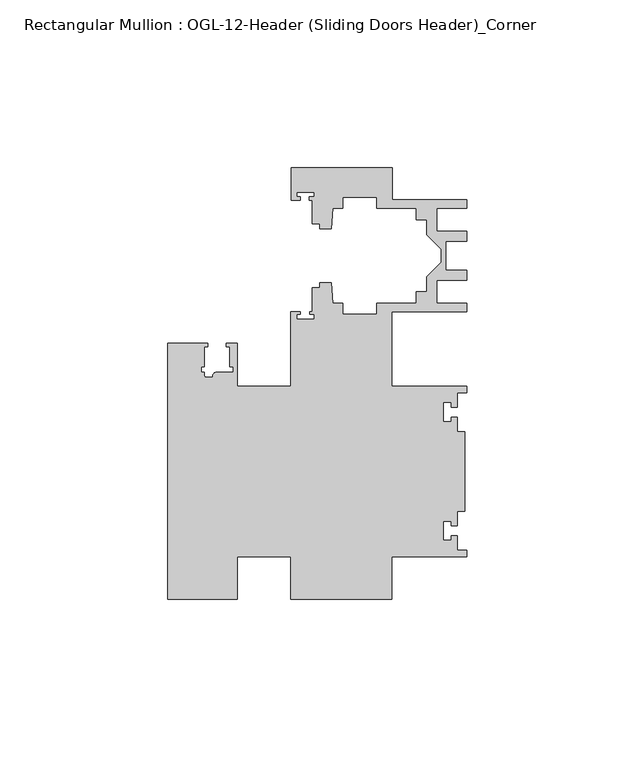
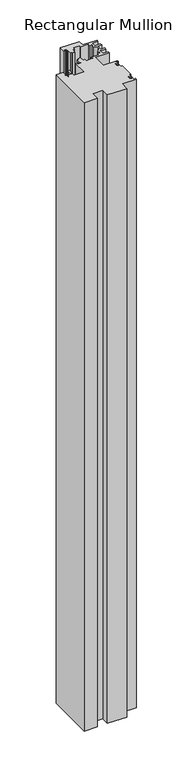
"""IFC4 building model written with IfcOpenShell, lengths in millimetres: member geometry, Rectangular Mullion : OGL-12-Header (Sliding Doors Header)_Corner."""

from ifc_helpers import new_model, si_unit, point, frame, frame_2d, origin, place, context, project, spatial, polyline, circle_curve, trimmed, segment, composite_curve, outline, extrude, source, transform, mapped, element, save


def rectangular_mullion_ogl_12_header_sliding_doors_header_2d8d6ac5(model_context):
    return source(origin(), model_context, "Body", "SweptSolid", [
        extrude(outline(composite_curve([segment(polyline([(0.0, 4.7625), (-22.2332898, 4.7625), (-22.2332898, -7.9371792), (-52.3921824, -7.9371792), (-52.3921824, 4.7625009), (-68.2683157, 4.7625009), (-68.2683157, -7.9375024), (-88.9083412, -7.9375024), (-88.9083412, 68.2624976), (-77.0967193, 68.2624976), (-77.0967193, 67.2624972), (-78.0467296, 67.2624972), (-78.0467296, 61.3772976), (-79.046696, 61.3772976), (-79.046696, 59.6772976), (-78.0467193, 59.6772976), (-78.0467193, 58.6740259)]), True, "CONTINUOUS"), segment(trimmed(circle_curve(frame_2d((-77.5467193, 58.6740259)), 0.5), [point((-78.0467193, 58.6740259))], [point((-77.5467193, 58.1740259))], True, "CARTESIAN"), True, "CONTINUOUS"), segment(polyline([(-77.5467193, 58.1740259), (-75.6077655, 58.1740259)]), True, "CONTINUOUS"), segment(trimmed(circle_curve(frame_2d((-74.44672, 58.4772975)), 1.2000001), [point((-75.6077655, 58.1740259))], [point((-74.44672, 59.6772976))], False, "CARTESIAN"), True, "CONTINUOUS"), segment(polyline([(-74.44672, 59.6772976), (-69.5467192, 59.6772976), (-69.5467192, 61.3772976), (-70.5467089, 61.3772976), (-70.5467089, 67.2624979), (-71.4967192, 67.2624979), (-71.4967192, 68.2624976), (-68.2683157, 68.2624976), (-68.2683157, 55.5625008), (-52.3921824, 55.5625008), (-52.3921824, 77.745996), (-49.5910554, 77.745996), (-49.5910554, 76.8721046), (-50.6220715, 76.8721046), (-50.6220715, 75.4943149), (-45.3220715, 75.4943149), (-45.3220715, 76.8721046), (-46.769305, 76.8721046), (-46.769305, 77.745996), (-45.9710366, 77.745996), (-45.9710366, 84.8247994), (-43.7582575, 84.8247994), (-43.7582575, 86.375852), (-40.3395523, 86.375852), (-39.7961967, 80.1652691), (-36.8419772, 80.1652691), (-36.8419772, 77.000852), (-26.7462575, 77.000852), (-26.7462575, 80.175852), (-15.0768765, 80.175852), (-15.0768765, 83.575852), (-11.8582575, 83.575852), (-11.8582575, 88.0571468), (-7.4980859, 92.4173184), (-7.4980859, 96.2965176), (-11.8582575, 100.6566892), (-11.8582575, 105.137984), (-15.0768765, 105.137984), (-15.0768765, 108.537984), (-26.7462575, 108.537984), (-26.7462575, 111.712984), (-36.8419772, 111.712984), (-36.8419772, 108.5485669), (-39.7961967, 108.5485669), (-40.3395523, 102.337984), (-43.7582575, 102.337984), (-43.7582575, 103.9254518), (-45.9710366, 103.9254518), (-45.9710366, 110.9050364), (-46.8181909, 110.9050364), (-46.8181909, 111.8781466), (-45.3220715, 111.8781466), (-45.3220715, 113.2559363), (-50.6220715, 113.2559363), (-50.6220715, 111.8781466), (-49.5692346, 111.8781466), (-49.5692346, 110.9050364), (-52.2095715, 110.9050364), (-52.2095715, 120.4877352), (-22.2032575, 120.4877352), (-22.2032575, 111.037984), (-0.0082575, 111.037984), (-0.0082575, 108.537984), (-8.8582575, 108.537984), (-8.8582575, 101.6950565), (-0.0082575, 101.6950565), (-0.0082575, 98.6950565), (-6.1582575, 98.6950565), (-6.1582575, 90.0187795), (-0.0082575, 90.0187795), (-0.0082575, 87.0187795), (-8.8582575, 87.0187795), (-8.8582575, 80.175852), (-0.0082575, 80.175852), (-0.0082575, 77.675852), (-22.2332898, 77.675852), (-22.2332898, 55.5625), (0.0, 55.5625), (0.0, 53.650676), (-2.740223, 53.650676), (-2.740223, 49.3020859), (-4.5407068, 49.3020859), (-4.5407068, 50.6896706), (-7.0406862, 50.6896706), (-7.0406862, 44.9276725), (-4.5407047, 44.9276725), (-4.5407047, 46.3230952), (-2.740223, 46.3230952), (-2.740223, 41.9666704), (-0.508, 41.9666704), (-0.508, 18.3583296), (-2.740223, 18.3583296), (-2.740223, 14.0019048), (-4.5407047, 14.0019048), (-4.5407047, 15.3973275), (-7.0406862, 15.3973275), (-7.0406862, 9.6353294), (-4.5407068, 9.6353294), (-4.5407068, 11.0229141), (-2.740223, 11.0229141), (-2.740223, 6.674324), (0.0, 6.674324), (0.0, 4.7625)]), True, "CONTINUOUS")], self_intersect=False)), frame((0.0, 0.0, -1041.4), z_axis=(0.0, 0.0, 1.0), x_axis=(1.0, 0.0, 0.0)), (0.0, 0.0, 1.0), 1041.4),
    ])


if __name__ == "__main__":
    model = new_model("IFC4")
    model_context = context("Model", 3, world=origin())
    ifc_project = project(units=[si_unit("LENGTHUNIT", "METRE", prefix="MILLI")], contexts=[model_context])
    site = spatial("IfcSite", under=ifc_project)
    building = spatial("IfcBuilding", under=site)
    placement = place(None, origin())
    rectangular_mullion_ogl_12_header_sliding_doors_header_shape = rectangular_mullion_ogl_12_header_sliding_doors_header_2d8d6ac5(model_context)
    element("IfcMember", 1, ObjectType="Rectangular Mullion : OGL-12-Header (Sliding Doors Header)_Corner", at=placement, inside=building, context=model_context, shape_type="MappedRepresentation", body=[
        mapped(rectangular_mullion_ogl_12_header_sliding_doors_header_shape, transform((0.0, 0.0, 0.0), x_axis=(1.0, 0.0, 0.0), y_axis=(0.0, 1.0, 0.0), z_axis=(0.0, 0.0, 1.0))),
    ])
    save(model, "model.ifc")
